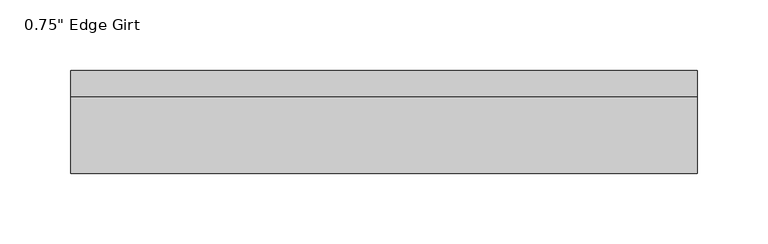
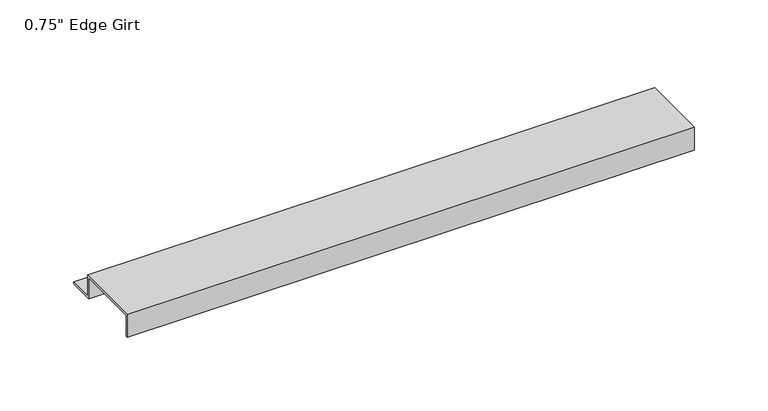
"""IFC4 building model written with IfcOpenShell, lengths in millimetres: proxy geometry."""

from ifc_helpers import new_model, si_unit, frame, origin, place, context, project, spatial, polyline, outline, extrude, source, transform, mapped, element, save


def proxy_c9d8baa9(model_context):
    return source(origin(), model_context, "Body", "SweptSolid", [
        extrude(outline(polyline([(46.0559645, -17.4375), (25.4, -17.4375), (25.4, 0.0), (-25.4, 0.0), (-25.4, -17.4375), (-27.0129, -17.4375), (-27.0129, 1.6129), (27.0129, 1.6129), (27.0129, -15.8242), (46.0559645, -15.8242), (46.0559645, -17.4375)])), frame((0.0, 0.0, 0.0), z_axis=(1.0, 0.0, 0.0), x_axis=(0.0, 1.0, 0.0)), (0.0, 0.0, 1.0), 444.5),
    ])


if __name__ == "__main__":
    model = new_model("IFC4")
    model_context = context("Model", 3, world=origin())
    ifc_project = project(units=[si_unit("LENGTHUNIT", "METRE", prefix="MILLI")], contexts=[model_context])
    site = spatial("IfcSite", under=ifc_project)
    building = spatial("IfcBuilding", under=site)
    placement = place(None, origin())
    proxy_shape = proxy_c9d8baa9(model_context)
    element("IfcBuildingElementProxy", 1, Name="0.75\" Edge Girt", ObjectType="0.75\" Edge Girt", at=placement, inside=building, context=model_context, shape_type="MappedRepresentation", body=[
        mapped(proxy_shape, transform((0.0, 0.0, 0.0), x_axis=(1.0, 0.0, 0.0), y_axis=(0.0, 1.0, 0.0), z_axis=(0.0, 0.0, 1.0))),
    ])
    save(model, "model.ifc")
